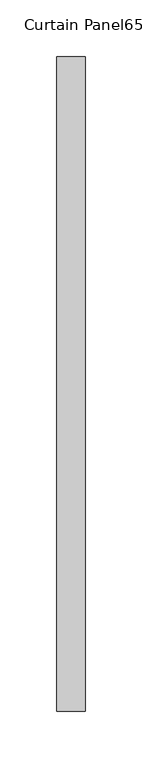
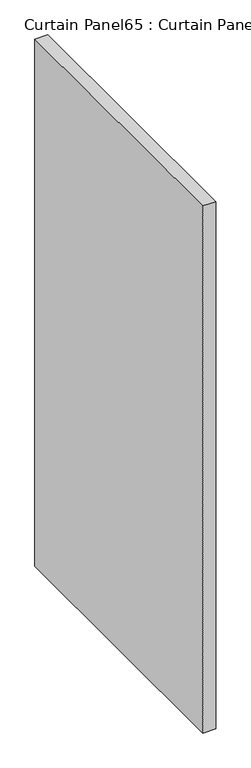
"""IFC4 building model written with IfcOpenShell, lengths in millimetres: plate geometry, Curtain Panel65 : Curtain Panel."""

from ifc_helpers import new_model, si_unit, frame, origin, place, context, project, spatial, polyline, outline, extrude, source, transform, mapped, element, save


def curtain_panel65_curtain_panel_e801c9e9(model_context):
    return source(origin(), model_context, "Body", "SweptSolid", [
        extrude(outline(polyline([(-38237.456025, -1356.4714666), (-38237.456025, -1935.9128778), (-38262.856025, -1935.9128778), (-38262.856025, -1356.4714666), (-38237.456025, -1356.4714666)])), frame((0.0, 0.0, 2479.690875), z_axis=(0.0, 0.0, 1.0), x_axis=(1.0, 0.0, 0.0)), (0.0, 0.0, 1.0), 1110.0804009),
    ])


if __name__ == "__main__":
    model = new_model("IFC4")
    model_context = context("Model", 3, world=origin())
    ifc_project = project(units=[si_unit("LENGTHUNIT", "METRE", prefix="MILLI")], contexts=[model_context])
    site = spatial("IfcSite", under=ifc_project)
    building = spatial("IfcBuilding", under=site)
    placement = place(None, origin())
    curtain_panel65_curtain_panel_shape = curtain_panel65_curtain_panel_e801c9e9(model_context)
    element("IfcPlate", 1, ObjectType="Curtain Panel65 : Curtain Panel", at=placement, inside=building, context=model_context, shape_type="MappedRepresentation", body=[
        mapped(curtain_panel65_curtain_panel_shape, transform((0.0, 0.0, 0.0), x_axis=(1.0, 0.0, 0.0), y_axis=(0.0, 1.0, 0.0), z_axis=(0.0, 0.0, 1.0))),
    ])
    save(model, "model.ifc")
